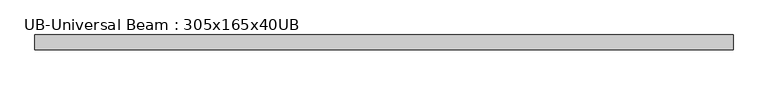
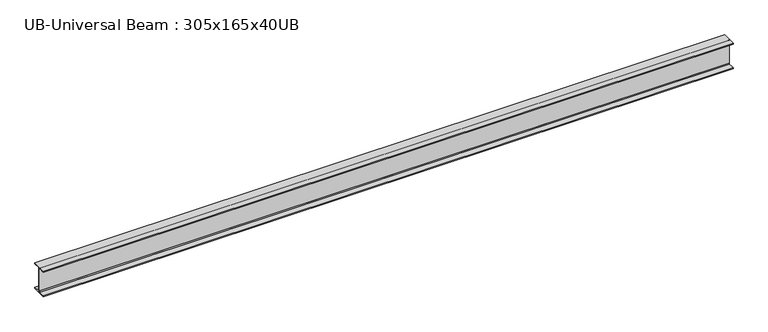
"""IFC4 building model written with IfcOpenShell, lengths in millimetres: beam geometry, UB-Universal Beam : 305x165x40UB."""

from ifc_helpers import new_model, si_unit, point, frame, frame_2d, origin, place, context, project, spatial, polyline, circle_curve, trimmed, segment, composite_curve, outline, extrude, source, transform, mapped, element, save


def ub_universal_beam_305x165x40ub_54f9e72e(model_context):
    return source(origin(), model_context, "Body", "SweptSolid", [
        extrude(outline(composite_curve([segment(polyline([(82.5, -141.5), (82.5, -151.7), (-82.5, -151.7), (-82.5, -141.5), (-11.9, -141.5)]), True, "CONTINUOUS"), segment(trimmed(circle_curve(frame_2d((-11.9, -132.6)), 8.9), [point((-11.9, -141.5))], [point((-3.0, -132.6))], True, "CARTESIAN"), True, "CONTINUOUS"), segment(polyline([(-3.0, -132.6), (-3.0, 132.6)]), True, "CONTINUOUS"), segment(trimmed(circle_curve(frame_2d((-11.9, 132.6)), 8.9), [point((-3.0, 132.6))], [point((-11.9, 141.5))], True, "CARTESIAN"), True, "CONTINUOUS"), segment(polyline([(-11.9, 141.5), (-82.5, 141.5), (-82.5, 151.7), (82.5, 151.7), (82.5, 141.5), (11.9, 141.5)]), True, "CONTINUOUS"), segment(trimmed(circle_curve(frame_2d((11.9, 132.6)), 8.9), [point((11.9, 141.5))], [point((3.0, 132.6))], True, "CARTESIAN"), True, "CONTINUOUS"), segment(polyline([(3.0, 132.6), (3.0, -132.6)]), True, "CONTINUOUS"), segment(trimmed(circle_curve(frame_2d((11.9, -132.6)), 8.9), [point((3.0, -132.6))], [point((11.9, -141.5))], True, "CARTESIAN"), True, "CONTINUOUS"), segment(polyline([(11.9, -141.5), (82.5, -141.5)]), True, "CONTINUOUS")], self_intersect=False)), frame((-3892.6255402, 0.0, 0.0), z_axis=(1.0, 0.0, 0.0), x_axis=(0.0, 1.0, 0.0)), (0.0, 0.0, 1.0), 7792.799693),
    ])


if __name__ == "__main__":
    model = new_model("IFC4")
    model_context = context("Model", 3, world=origin())
    ifc_project = project(units=[si_unit("LENGTHUNIT", "METRE", prefix="MILLI")], contexts=[model_context])
    site = spatial("IfcSite", under=ifc_project)
    building = spatial("IfcBuilding", under=site)
    placement = place(None, origin())
    ub_universal_beam_305x165x40ub_shape = ub_universal_beam_305x165x40ub_54f9e72e(model_context)
    element("IfcBeam", 1, ObjectType="UB-Universal Beam : 305x165x40UB", at=placement, inside=building, context=model_context, shape_type="MappedRepresentation", body=[
        mapped(ub_universal_beam_305x165x40ub_shape, transform((0.0, 0.0, 0.0), x_axis=(1.0, 0.0, 0.0), y_axis=(0.0, 1.0, 0.0), z_axis=(0.0, 0.0, 1.0))),
    ])
    save(model, "model.ifc")
